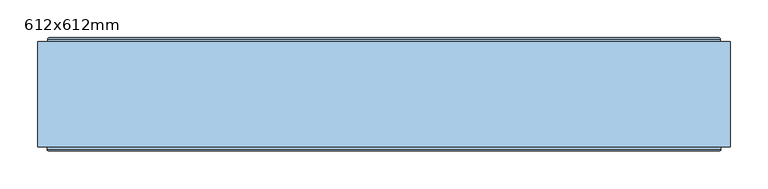
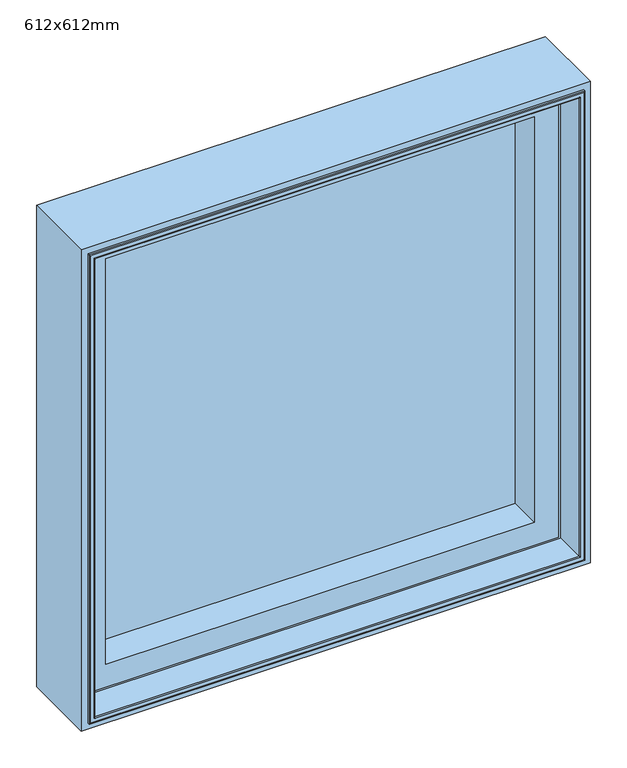
"""IFC4 building model written with IfcOpenShell, lengths in millimetres: window geometry, 612x612mm."""

import ifcopenshell
import ifcopenshell.guid

model = None  # the IFC model being written
_history = None  # IfcOwnerHistory: only IFC2X3 demands one
_inside = {}  # id of a spatial element -> (the spatial element, [elements in it])
_under = {}  # id of a project, library or spatial element -> (it, [spatial elements below it])
_declared = {}  # id of a project -> (the project, [libraries it declares])
_typed = {}  # id of a type object -> (the type object, [elements of that type])
_made_of = {}  # id of a material, layer set ... -> (it, [elements and type objects made of it])


def new_model(schema):
    """Start an empty IFC model of exactly this schema.

    Asked for "IFC4X3", IfcOpenShell would pick the latest addendum, in which some entities
    have other attributes; the version numbers below select the first issue.
    IFC2X3 requires an IfcOwnerHistory on every rooted entity: one is made here for all.
    """
    global model, _history
    if schema == "IFC4X3":
        model = ifcopenshell.file(schema_version=(4, 3, 0, 0))
    else:
        model = ifcopenshell.file(schema=schema)
    _inside.clear()
    _under.clear()
    _declared.clear()
    _typed.clear()
    _made_of.clear()
    _history = None
    if model.schema == "IFC2X3":
        org = make("IfcOrganization", Name="unknown")
        user = make(
            "IfcPersonAndOrganization",
            ThePerson=make("IfcPerson", FamilyName="unknown"),
            TheOrganization=org,
        )
        app = make(
            "IfcApplication",
            ApplicationDeveloper=org,
            Version="unknown",
            ApplicationFullName="unknown",
            ApplicationIdentifier="unknown",
        )
        _history = make(
            "IfcOwnerHistory",
            OwningUser=user,
            OwningApplication=app,
            ChangeAction="ADDED",
            CreationDate=0,
        )
    return model


def make(cls, **values):
    """One entity of the class cls with the attributes given. An attribute that is None is left unset."""
    return model.create_entity(
        cls, **{name: value for name, value in values.items() if value is not None}
    )


def rooted(cls, **values):
    """An entity with a GlobalId (a new one), such as an element, a storey or a relation."""
    return make(cls, GlobalId=ifcopenshell.guid.new(), OwnerHistory=_history, **values)


def si_unit(unit_type, name, prefix=None):
    """IfcSIUnit, for example si_unit("LENGTHUNIT", "METRE", prefix="MILLI")."""
    return make("IfcSIUnit", UnitType=unit_type, Prefix=prefix, Name=name)


def assignment(units):
    """IfcUnitAssignment: the units of a project."""
    return None if units is None else make("IfcUnitAssignment", Units=units)


def point(xyz):
    """IfcCartesianPoint."""
    return None if xyz is None else make("IfcCartesianPoint", Coordinates=xyz)


def direction(xyz):
    """IfcDirection."""
    return None if xyz is None else make("IfcDirection", DirectionRatios=xyz)


def frame(location, z_axis=None, x_axis=None):
    """IfcAxis2Placement3D, a coordinate frame: its origin and axes. An axis left out is left unset."""
    return make(
        "IfcAxis2Placement3D",
        Location=point(location),
        Axis=direction(z_axis),
        RefDirection=direction(x_axis),
    )


def origin():
    """The frame at (0, 0, 0) with its axes left unset."""
    return frame((0.0, 0.0, 0.0))


def place(relative_to, where):
    """IfcLocalPlacement: puts the frame where relative to a parent placement (None: the world)."""
    return make(
        "IfcLocalPlacement", PlacementRelTo=relative_to, RelativePlacement=where
    )


def context(
    kind, dimensions, precision=None, world=None, true_north=None, identifier=None
):
    """IfcGeometricRepresentationContext, for example the 3D "Model" context."""
    return make(
        "IfcGeometricRepresentationContext",
        ContextIdentifier=identifier,
        ContextType=kind,
        CoordinateSpaceDimension=dimensions,
        Precision=precision,
        WorldCoordinateSystem=world,
        TrueNorth=true_north,
    )


def project(units=None, contexts=None):
    """IfcProject with its units and contexts."""
    return rooted(
        "IfcProject",
        Name="project",
        RepresentationContexts=contexts,
        UnitsInContext=assignment(units),
    )


def spatial(cls, under=None, at=None, **own):
    """A site, building, storey or space (cls), placed at a placement, below another one or the project."""
    s = rooted(cls, ObjectPlacement=at, **own)
    if under is not None:
        _under.setdefault(under.id(), (under, []))[1].append(s)
    return s


def polyline(points):
    """IfcPolyline through the points."""
    return make("IfcPolyline", Points=[point(p) for p in points])


def ellipse_curve(where, semi_axis1, semi_axis2):
    """IfcEllipse in the frame where."""
    return make(
        "IfcEllipse", Position=where, SemiAxis1=semi_axis1, SemiAxis2=semi_axis2
    )


def outline(outer, holes=None, kind="AREA"):
    """IfcArbitraryClosedProfileDef: a profile drawn as a closed curve; with holes, ...WithVoids."""
    if holes is None:
        return make("IfcArbitraryClosedProfileDef", ProfileType=kind, OuterCurve=outer)
    return make(
        "IfcArbitraryProfileDefWithVoids",
        ProfileType=kind,
        OuterCurve=outer,
        InnerCurves=holes,
    )


def extrude(swept, where, along, depth):
    """IfcExtrudedAreaSolid: the profile swept, set in the frame where, extruded along a direction by depth."""
    return make(
        "IfcExtrudedAreaSolid",
        SweptArea=swept,
        Position=where,
        ExtrudedDirection=direction(along),
        Depth=depth,
    )


def faces_of(points, faces, orient=None, outer=None):
    """IfcFace entities. A face is a list of loops; a loop is a list of indices into points, from 0.

    orient and outer hold one flag for each loop. By default every Orientation is true, the
    first loop of a face is its IfcFaceOuterBound and the others are IfcFaceBound.
    """
    made = []
    for i, loops in enumerate(faces):
        bounds = []
        for j, loop in enumerate(loops):
            is_outer = j == 0 if outer is None else outer[i][j]
            bounds.append(
                make(
                    "IfcFaceOuterBound" if is_outer else "IfcFaceBound",
                    Bound=make("IfcPolyLoop", Polygon=[points[k] for k in loop]),
                    Orientation=True if orient is None else orient[i][j],
                )
            )
        made.append(make("IfcFace", Bounds=bounds))
    return made


def faceted_brep(points, faces, orient=None, outer=None, voids=None):
    """IfcFacetedBrep: a solid bounded by flat faces; with voids (closed shells), ...WithVoids."""
    shared = [point(p) for p in points]
    hull = make("IfcClosedShell", CfsFaces=faces_of(shared, faces, orient, outer))
    if voids is None:
        return make("IfcFacetedBrep", Outer=hull)
    return make(
        "IfcFacetedBrepWithVoids",
        Outer=hull,
        Voids=[
            make(cls, CfsFaces=faces_of(shared, fs, o, b)) for cls, fs, o, b in voids
        ],
    )


def shape(context_of_items, identifier, shape_type, items):
    """IfcShapeRepresentation: the items that make up one representation, for example the "Body"."""
    return make(
        "IfcShapeRepresentation",
        ContextOfItems=context_of_items,
        RepresentationIdentifier=identifier,
        RepresentationType=shape_type,
        Items=items,
    )


def source(mapping_origin, context_of_items, identifier, shape_type, items):
    """IfcRepresentationMap: a shape defined once, which mapped items show again and again."""
    return make(
        "IfcRepresentationMap",
        MappingOrigin=mapping_origin,
        MappedRepresentation=shape(context_of_items, identifier, shape_type, items),
    )


def transform(
    local_origin,
    x_axis=None,
    y_axis=None,
    z_axis=None,
    scale=None,
    scale2=None,
    scale3=None,
    uniform=True,
):
    """IfcCartesianTransformationOperator3D, or its non-uniform kind. x_axis, y_axis, z_axis: its Axis1, 2, 3."""
    if uniform:
        return make(
            "IfcCartesianTransformationOperator3D",
            Axis1=direction(x_axis),
            Axis2=direction(y_axis),
            LocalOrigin=point(local_origin),
            Scale=scale,
            Axis3=direction(z_axis),
        )
    return make(
        "IfcCartesianTransformationOperator3DnonUniform",
        Axis1=direction(x_axis),
        Axis2=direction(y_axis),
        LocalOrigin=point(local_origin),
        Scale=scale,
        Axis3=direction(z_axis),
        Scale2=scale2,
        Scale3=scale3,
    )


def mapped(mapping_source, mapping_target):
    """IfcMappedItem: shows the shape of a source again, moved by a transform."""
    return make(
        "IfcMappedItem", MappingSource=mapping_source, MappingTarget=mapping_target
    )


def made_of(thing, what):
    """Note that an element or type object is made of a material, layer set ...; save() writes the relation."""
    if what is not None:
        _made_of.setdefault(what.id(), (what, []))[1].append(thing)
    return thing


def element(
    cls,
    number,
    at=None,
    inside=None,
    cuts=None,
    type_object=None,
    material=None,
    context=None,
    identifier="Body",
    shape_type=None,
    held_by="IfcProductDefinitionShape",
    body=None,
    shapes=None,
    **own,
):
    """One element of the class cls, such as IfcWall. Its Tag is "e" and its number.

    at: its placement. inside: the storey or other place that contains it. cuts: it is an
    opening in that element (IfcRelVoidsElement). A single representation is given by context,
    identifier, shape_type and body (its items); several are given by shapes. held_by: the class
    of the entity that holds the representations. save() writes the other relations.
    """
    e = rooted(cls, Tag="e%d" % number, ObjectPlacement=at, **own)
    if body is not None:
        shapes = [shape(context, identifier, shape_type, body)]
    if shapes is not None:
        e.Representation = make(held_by, Representations=shapes)
    if inside is not None:
        _inside.setdefault(inside.id(), (inside, []))[1].append(e)
    if cuts is not None:
        rooted(
            "IfcRelVoidsElement", RelatingBuildingElement=cuts, RelatedOpeningElement=e
        )
    if type_object is not None:
        _typed.setdefault(type_object.id(), (type_object, []))[1].append(e)
    return made_of(e, material)


def aggregate(whole, parts):
    """IfcRelAggregates: a whole, such as a stair, and the parts it consists of."""
    return rooted("IfcRelAggregates", RelatingObject=whole, RelatedObjects=parts)


def save(model, path):
    """Write the relations noted so far, then the file.

    IfcRelAggregates (storeys below a building ...), IfcRelContainedInSpatialStructure (elements
    in a storey), IfcRelDefinesByType, IfcRelAssociatesMaterial and IfcRelDeclares: one each for
    every whole, place, type object, material and project.
    """
    for whole, parts in _under.values():
        aggregate(whole, parts)
    for where, things in _inside.values():
        rooted(
            "IfcRelContainedInSpatialStructure",
            RelatedElements=things,
            RelatingStructure=where,
        )
    for kind, things in _typed.values():
        rooted("IfcRelDefinesByType", RelatedObjects=things, RelatingType=kind)
    for what, things in _made_of.values():
        rooted("IfcRelAssociatesMaterial", RelatedObjects=things, RelatingMaterial=what)
    for by, libraries in _declared.values():
        rooted("IfcRelDeclares", RelatingContext=by, RelatedDefinitions=libraries)
    model.write(path)


def plane_surface(at):
    """IfcPlane: the flat surface through the origin of the frame at, square to its z axis."""
    return make("IfcPlane", Position=at)


def cylinder_surface(at, radius):
    """IfcCylindricalSurface: all points at the distance radius from the z axis of the frame at."""
    return make("IfcCylindricalSurface", Position=at, Radius=radius)


def revolved_surface(curve, axis_point, axis_direction):
    """IfcSurfaceOfRevolution: the curve turned about the line through axis_point along axis_direction."""
    return make(
        "IfcSurfaceOfRevolution",
        SweptCurve=make("IfcArbitraryOpenProfileDef", ProfileType="CURVE", Curve=curve),
        AxisPosition=make("IfcAxis1Placement", Location=point(axis_point), Axis=direction(axis_direction)),
    )


def advanced_brep(points, edges, surfaces, faces):
    """IfcAdvancedBrep: a solid bounded by faces that lie on surfaces and meet in shared edges.

    An edge is (start, end): straight between two places in points (the first is 0);
    or (start, end, curve); or (start, end, curve, False) where it runs against its curve.
    A face is (place in surfaces, loops), or (place, loops, False) where it looks against
    its surface's normal. A loop lists edges by number (the first is 1), with a minus sign
    where the edge is run from its end to its start. The first loop is the outer one.
    """
    corners = [point(p) for p in points]
    vertices = [make("IfcVertexPoint", VertexGeometry=c) for c in corners]
    made = []
    for start, end, *more in edges:
        made.append(
            make(
                "IfcEdgeCurve",
                EdgeStart=vertices[start],
                EdgeEnd=vertices[end],
                EdgeGeometry=more[0] if more else make("IfcPolyline", Points=[corners[start], corners[end]]),
                SameSense=more[1] if len(more) > 1 else True,
            )
        )
    hull = []
    for where, loops, *sense in faces:
        bounds = []
        for j, loop in enumerate(loops):
            ring = [make("IfcOrientedEdge", EdgeElement=made[abs(k) - 1], Orientation=k > 0) for k in loop]
            bounds.append(
                make(
                    "IfcFaceOuterBound" if j == 0 else "IfcFaceBound",
                    Bound=make("IfcEdgeLoop", EdgeList=ring),
                    Orientation=True,
                )
            )
        hull.append(make("IfcAdvancedFace", Bounds=bounds, FaceSurface=surfaces[where], SameSense=sense[0] if sense else True))
    return make("IfcAdvancedBrep", Outer=make("IfcClosedShell", CfsFaces=hull))


def window_612x612mm_6b5cd308(model_context):
    return source(origin(), model_context, "Body", "SolidModel", [
        extrude(outline(polyline([(800.0, -456.0), (800.0, 456.0), (1712.0, 456.0), (1712.0, -456.0), (800.0, -456.0)]), holes=[polyline([(1700.0, -444.0), (1700.0, 444.0), (812.0, 444.0), (812.0, -444.0), (1700.0, -444.0)])]), frame((0.0, 10.0000016, 0.0), z_axis=(0.0, 1.0, 0.0), x_axis=(0.0, 0.0, 1.0)), (0.0, 0.0, 1.0), 139.0),
        extrude(outline(polyline([(402.0, 118.5000018), (-402.0, 118.5000018), (-402.0, 146.5000018), (402.0, 146.5000018), (402.0, 118.5000018)])), frame((0.0, 0.0, 854.0), z_axis=(0.0, 0.0, 1.0), x_axis=(1.0, 0.0, 0.0)), (0.0, 0.0, 1.0), 804.0),
        advanced_brep(
        [(-434.0, 6.5000014, 1690.0), (-435.5, 5.0000014, 1691.5), (-435.5, 5.0000014, 820.5), (-434.0, 6.5000014, 822.0), (-434.0, 142.5000016, 1690.0), (-434.0, 142.5000016, 822.0), (-444.0, 6.5000014, 1700.0), (-444.0, 142.5000016, 1700.0), (-444.0, 142.5000016, 812.0), (-444.0, 6.5000014, 812.0), (-442.5, 5.0000014, 1698.5), (-442.5, 5.0000014, 813.5), (435.5, 5.0000014, 820.5), (434.0, 6.5000014, 822.0), (434.0, 142.5000016, 822.0), (444.0, 142.5000016, 812.0), (444.0, 6.5000014, 812.0), (442.5, 5.0000014, 813.5), (435.5, 5.0000014, 1691.5), (434.0, 6.5000014, 1690.0), (434.0, 142.5000016, 1690.0), (444.0, 142.5000016, 1700.0), (444.0, 6.5000014, 1700.0), (442.5, 5.0000014, 1698.5)],
        [
            (0, 1, ellipse_curve(frame((-435.5, 6.5000014, 1691.5), z_axis=(-0.7071067811865475, 0.0, -0.7071067811865475), x_axis=(-0.7071067811865474, 0.0, 0.7071067811865476)), 2.1213203, 1.5)),
            (1, 2),
            (2, 3, ellipse_curve(frame((-435.5, 6.5000014, 820.5), z_axis=(-0.7071067811865475, 0.0, 0.7071067811865475), x_axis=(0.7071067811865474, 0.0, 0.7071067811865476)), 2.1213203, 1.5)),
            (3, 0),
            (4, 0),
            (3, 5),
            (5, 4),
            (6, 7),
            (7, 8),
            (8, 9),
            (9, 6),
            (10, 6, ellipse_curve(frame((-442.5, 6.5000014, 1698.5), z_axis=(-0.7071067811865475, 0.0, -0.7071067811865475), x_axis=(-0.7071067811865474, 0.0, 0.7071067811865476)), 2.1213203, 1.5)),
            (9, 11, ellipse_curve(frame((-442.5, 6.5000014, 813.5), z_axis=(-0.7071067811865475, 0.0, 0.7071067811865475), x_axis=(0.7071067811865474, 0.0, 0.7071067811865476)), 2.1213203, 1.5)),
            (11, 10),
            (2, 12),
            (12, 13, ellipse_curve(frame((435.5, 6.5000014, 820.5), z_axis=(-0.7071067811865475, 0.0, -0.7071067811865475), x_axis=(-0.7071067811865476, 0.0, 0.7071067811865474)), 2.1213203, 1.5)),
            (13, 3),
            (13, 14),
            (14, 5),
            (8, 15),
            (15, 16),
            (16, 9),
            (16, 17, ellipse_curve(frame((442.5, 6.5000014, 813.5), z_axis=(-0.7071067811865475, 0.0, -0.7071067811865475), x_axis=(-0.7071067811865476, 0.0, 0.7071067811865474)), 2.1213203, 1.5)),
            (17, 11),
            (12, 18),
            (18, 19, ellipse_curve(frame((435.5, 6.5000014, 1691.5), z_axis=(0.7071067811865475, 0.0, -0.7071067811865475), x_axis=(-0.7071067811865474, 0.0, -0.7071067811865476)), 2.1213203, 1.5)),
            (19, 13),
            (19, 20),
            (20, 14),
            (15, 21),
            (21, 22),
            (22, 16),
            (22, 23, ellipse_curve(frame((442.5, 6.5000014, 1698.5), z_axis=(0.7071067811865475, 0.0, -0.7071067811865475), x_axis=(-0.7071067811865474, 0.0, -0.7071067811865476)), 2.1213203, 1.5)),
            (23, 17),
            (18, 1),
            (0, 19),
            (4, 20),
            (7, 21),
            (6, 22),
            (10, 23),
        ],
        [
            cylinder_surface(frame((-435.5, 6.5000014, 1700.0), z_axis=(0.0, 0.0, 1.0), x_axis=(1.0, 0.0, 0.0)), 1.5),
            plane_surface(frame((-434.0, 6.5000014, 1690.0), z_axis=(1.0, 0.0, 0.0), x_axis=(0.0, 0.0, -1.0))),
            plane_surface(frame((-444.0, 142.5000016, 1700.0), z_axis=(-1.0, 0.0, 0.0), x_axis=(0.0, 0.0, -1.0))),
            cylinder_surface(frame((-442.5, 6.5000014, 1700.0), z_axis=(0.0, 0.0, 1.0), x_axis=(1.0, 0.0, 0.0)), 1.5),
            cylinder_surface(frame((-444.0, 6.5000014, 820.5), z_axis=(-1.0, 0.0, 0.0), x_axis=(0.0, 0.0, 1.0)), 1.5),
            plane_surface(frame((-434.0, 6.5000014, 822.0), z_axis=(0.0, 0.0, 1.0), x_axis=(1.0, 0.0, 0.0))),
            plane_surface(frame((-444.0, 142.5000016, 812.0), z_axis=(0.0, 0.0, -1.0), x_axis=(1.0, 0.0, 0.0))),
            cylinder_surface(frame((-444.0, 6.5000014, 813.5), z_axis=(-1.0, 0.0, 0.0), x_axis=(0.0, 0.0, 1.0)), 1.5),
            cylinder_surface(frame((435.5, 6.5000014, 812.0), z_axis=(0.0, 0.0, -1.0), x_axis=(-1.0, 0.0, 0.0)), 1.5),
            plane_surface(frame((434.0, 6.5000014, 822.0), z_axis=(-1.0, 0.0, 0.0), x_axis=(0.0, 0.0, 1.0))),
            plane_surface(frame((444.0, 142.5000016, 812.0), z_axis=(1.0, 0.0, 0.0), x_axis=(0.0, 0.0, 1.0))),
            cylinder_surface(frame((442.5, 6.5000014, 812.0), z_axis=(0.0, 0.0, -1.0), x_axis=(-1.0, 0.0, 0.0)), 1.5),
            cylinder_surface(frame((444.0, 6.5000014, 1691.5), z_axis=(1.0, 0.0, 0.0), x_axis=(0.0, 0.0, -1.0)), 1.5),
            plane_surface(frame((434.0, 6.5000014, 1690.0), z_axis=(0.0, 0.0, -1.0), x_axis=(-1.0, 0.0, 0.0))),
            plane_surface(frame((434.0, 142.5000016, 1690.0), z_axis=(0.0, 1.0, 0.0), x_axis=(-1.0, 0.0, 0.0))),
            plane_surface(frame((444.0, 142.5000016, 1700.0), z_axis=(0.0, 0.0, 1.0), x_axis=(-1.0, 0.0, 0.0))),
            cylinder_surface(frame((444.0, 6.5000014, 1698.5), z_axis=(1.0, 0.0, 0.0), x_axis=(0.0, 0.0, -1.0)), 1.5),
            plane_surface(frame((442.5, 5.0000014, 1698.5), z_axis=(0.0, -1.0, 0.0), x_axis=(-1.0, 0.0, 0.0))),
        ],
        [
            (0, [[1, 2, 3, 4]]),
            (1, [[5, -4, 6, 7]]),
            (2, [[8, 9, 10, 11]]),
            (3, [[12, -11, 13, 14]]),
            (4, [[-3, 15, 16, 17]]),
            (5, [[-6, -17, 18, 19]]),
            (6, [[-10, 20, 21, 22]]),
            (7, [[-13, -22, 23, 24]]),
            (8, [[-16, 25, 26, 27]]),
            (9, [[-18, -27, 28, 29]]),
            (10, [[-21, 30, 31, 32]]),
            (11, [[-23, -32, 33, 34]]),
            (12, [[-26, 35, -1, 36]]),
            (13, [[-28, -36, -5, 37]]),
            (14, [[38, -30, -20, -9], [-19, -29, -37, -7]]),
            (15, [[-31, -38, -8, 39]]),
            (16, [[-33, -39, -12, 40]]),
            (17, [[-24, -34, -40, -14], [-35, -25, -15, -2]]),
        ],
    ),
        faceted_brep([(-406.0, 142.5000017, 1662.0), (-406.0, 118.5000018, 1662.0), (-406.0, 118.5000018, 850.0), (-406.0, 142.5000017, 850.0), (-434.0, 63.3258286, 1690.0), (-434.0, 142.5000017, 1690.0), (-434.0, 142.5000017, 822.0), (-434.0, 63.3258286, 822.0), (-427.2, 59.5000018, 1683.2), (-427.2, 63.3258286, 1683.2), (-427.2, 63.3258286, 828.8), (-427.2, 59.5000018, 828.8), (-384.0, 118.5000018, 1640.0), (-384.0, 59.5000018, 1640.0), (-384.0, 59.5000018, 872.0), (-384.0, 118.5000018, 872.0), (406.0, 118.5000018, 850.0), (406.0, 142.5000017, 850.0), (434.0, 142.5000017, 822.0), (434.0, 63.3258286, 822.0), (427.2, 63.3258286, 828.8), (427.2, 59.5000018, 828.8), (384.0, 59.5000018, 872.0), (384.0, 118.5000018, 872.0), (406.0, 118.5000018, 1662.0), (406.0, 142.5000017, 1662.0), (434.0, 142.5000017, 1690.0), (434.0, 63.3258286, 1690.0), (427.2, 63.3258286, 1683.2), (427.2, 59.5000018, 1683.2), (384.0, 59.5000018, 1640.0), (384.0, 118.5000018, 1640.0)], [[[0, 1, 2, 3]], [[4, 5, 6, 7]], [[8, 9, 10, 11]], [[12, 13, 14, 15]], [[3, 2, 16, 17]], [[7, 6, 18, 19]], [[11, 10, 20, 21]], [[15, 14, 22, 23]], [[17, 16, 24, 25]], [[19, 18, 26, 27]], [[21, 20, 28, 29]], [[23, 22, 30, 31]], [[25, 24, 1, 0]], [[5, 26, 18, 6], [3, 17, 25, 0]], [[27, 26, 5, 4]], [[7, 19, 27, 4], [9, 28, 20, 10]], [[29, 28, 9, 8]], [[11, 21, 29, 8], [13, 30, 22, 14]], [[31, 30, 13, 12]], [[1, 24, 16, 2], [15, 23, 31, 12]]]),
        advanced_brep(
        [(-443.0, 152.5000018, 1699.0), (-441.5000001, 154.0000016, 1697.5000001), (-441.5000001, 154.0000016, 814.4999999), (-443.0, 152.5000018, 813.0), (-443.0, 148.3866107, 1699.0), (-443.0, 148.3866107, 813.0), (-444.0, 142.5000017, 1700.0), (-444.0, 148.3866107, 1700.0), (-444.0, 148.3866107, 812.0), (-444.0, 142.5000017, 812.0), (-406.0, 146.5000019, 1662.0), (-406.0, 142.5000017, 1662.0), (-406.0, 142.5000017, 850.0), (-406.0, 146.5000019, 850.0), (-387.5192538, 147.4871074, 1643.5192538), (-387.4938789, 146.5000019, 1643.4938789), (-387.4938789, 146.5000019, 868.5061211), (-387.5192538, 147.4871074, 868.4807462), (-389.5962483, 148.7951832, 1645.5962483), (-389.5962483, 148.7951832, 866.4037517), (-390.0, 149.7544748, 1646.0), (-390.0, 149.7544748, 866.0), (-390.0, 153.0000016, 1646.0), (-390.0, 153.0000016, 866.0), (-390.5, 153.5000016, 1646.5), (-390.5, 153.5000016, 865.5), (-406.514074, 154.0000016, 1662.514074), (-405.8, 153.5000016, 1661.8), (-405.8, 153.5000016, 850.2), (-406.514074, 154.0000016, 849.485926), (441.5000001, 154.0000016, 814.4999999), (443.0, 152.5000018, 813.0), (443.0, 148.3866107, 813.0), (444.0, 148.3866107, 812.0), (444.0, 142.5000017, 812.0), (406.0, 142.5000017, 850.0), (406.0, 146.5000019, 850.0), (387.4938789, 146.5000019, 868.5061211), (387.5192538, 147.4871074, 868.4807462), (389.5962483, 148.7951832, 866.4037517), (390.0, 149.7544748, 866.0), (390.0, 153.0000016, 866.0), (390.5, 153.5000016, 865.5), (405.8, 153.5000016, 850.2), (406.514074, 154.0000016, 849.485926), (441.5000001, 154.0000016, 1697.5000001), (443.0, 152.5000018, 1699.0), (443.0, 148.3866107, 1699.0), (444.0, 148.3866107, 1700.0), (444.0, 142.5000017, 1700.0), (406.0, 142.5000017, 1662.0), (406.0, 146.5000019, 1662.0), (387.4938789, 146.5000019, 1643.4938789), (387.5192538, 147.4871074, 1643.5192538), (389.5962483, 148.7951832, 1645.5962483), (390.0, 149.7544748, 1646.0), (390.0, 153.0000016, 1646.0), (390.5, 153.5000016, 1646.5), (405.8, 153.5000016, 1661.8), (406.514074, 154.0000016, 1662.514074)],
        [
            (0, 1, ellipse_curve(frame((-441.5000001, 152.5000018, 1697.5000001), z_axis=(-0.7071067811865475, 0.0, -0.7071067811865475), x_axis=(-0.7071067811865474, 0.0, 0.7071067811865476)), 2.1213201, 1.4999998)),
            (1, 2),
            (2, 3, ellipse_curve(frame((-441.5000001, 152.5000018, 814.4999999), z_axis=(-0.7071067811865475, 0.0, 0.7071067811865475), x_axis=(0.7071067811865474, 0.0, 0.7071067811865476)), 2.1213201, 1.4999998)),
            (3, 0),
            (4, 0),
            (3, 5),
            (5, 4),
            (6, 7),
            (7, 8),
            (8, 9),
            (9, 6),
            (10, 11),
            (11, 12),
            (12, 13),
            (13, 10),
            (14, 15, ellipse_curve(frame((-387.4938789, 146.9938808, 1643.4938789), z_axis=(-0.7071067811865475, 0.0, -0.7071067811865475), x_axis=(-0.7071067811865474, 0.0, 0.7071067811865476)), 0.6984503, 0.4938789)),
            (15, 16),
            (16, 17, ellipse_curve(frame((-387.4938789, 146.9938808, 868.5061211), z_axis=(-0.7071067811865475, 0.0, 0.7071067811865475), x_axis=(0.7071067811865474, 0.0, 0.7071067811865476)), 0.6984503, 0.4938789)),
            (17, 14),
            (18, 14, ellipse_curve(frame((-387.6227187, 149.6258125, 1643.6227187), z_axis=(0.7071067811865475, 0.0, 0.7071067811865475), x_axis=(0.7071067811865474, 0.0, -0.7071067811865476)), 3.028123, 2.1412063)),
            (17, 19, ellipse_curve(frame((-387.6227187, 149.6258125, 868.3772813), z_axis=(0.7071067811865475, 0.0, -0.7071067811865475), x_axis=(-0.7071067811865474, 0.0, -0.7071067811865476)), 3.028123, 2.1412063)),
            (19, 18),
            (20, 18),
            (19, 21),
            (21, 20),
            (22, 20),
            (21, 23),
            (23, 22),
            (24, 22, ellipse_curve(frame((-390.5, 153.0000016, 1646.5), z_axis=(-0.7071067811865475, 0.0, -0.7071067811865475), x_axis=(-0.7071067811865474, 0.0, 0.7071067811865476)), 0.7071068, 0.5)),
            (23, 25, ellipse_curve(frame((-390.5, 153.0000016, 865.5), z_axis=(-0.7071067811865475, 0.0, 0.7071067811865475), x_axis=(0.7071067811865474, 0.0, 0.7071067811865476)), 0.7071068, 0.5)),
            (25, 24),
            (26, 27),
            (27, 28),
            (28, 29),
            (29, 26),
            (2, 30),
            (30, 31, ellipse_curve(frame((441.5000001, 152.5000018, 814.4999999), z_axis=(-0.7071067811865475, 0.0, -0.7071067811865475), x_axis=(-0.7071067811865476, 0.0, 0.7071067811865474)), 2.1213201, 1.4999998)),
            (31, 3),
            (31, 32),
            (32, 5),
            (8, 33),
            (33, 34),
            (34, 9),
            (12, 35),
            (35, 36),
            (36, 13),
            (16, 37),
            (37, 38, ellipse_curve(frame((387.4938789, 146.9938808, 868.5061211), z_axis=(-0.7071067811865475, 0.0, -0.7071067811865475), x_axis=(-0.7071067811865476, 0.0, 0.7071067811865474)), 0.6984503, 0.4938789)),
            (38, 17),
            (38, 39, ellipse_curve(frame((387.6227187, 149.6258125, 868.3772813), z_axis=(0.7071067811865475, 0.0, 0.7071067811865475), x_axis=(0.7071067811865476, 0.0, -0.7071067811865474)), 3.028123, 2.1412063)),
            (39, 19),
            (39, 40),
            (40, 21),
            (40, 41),
            (41, 23),
            (41, 42, ellipse_curve(frame((390.5, 153.0000016, 865.5), z_axis=(-0.7071067811865475, 0.0, -0.7071067811865475), x_axis=(-0.7071067811865476, 0.0, 0.7071067811865474)), 0.7071068, 0.5)),
            (42, 25),
            (28, 43),
            (43, 44),
            (44, 29),
            (30, 45),
            (45, 46, ellipse_curve(frame((441.5000001, 152.5000018, 1697.5000001), z_axis=(0.7071067811865475, 0.0, -0.7071067811865475), x_axis=(-0.7071067811865474, 0.0, -0.7071067811865476)), 2.1213201, 1.4999998)),
            (46, 31),
            (46, 47),
            (47, 32),
            (33, 48),
            (48, 49),
            (49, 34),
            (35, 50),
            (50, 51),
            (51, 36),
            (37, 52),
            (52, 53, ellipse_curve(frame((387.4938789, 146.9938808, 1643.4938789), z_axis=(0.7071067811865475, 0.0, -0.7071067811865475), x_axis=(-0.7071067811865474, 0.0, -0.7071067811865476)), 0.6984503, 0.4938789)),
            (53, 38),
            (53, 54, ellipse_curve(frame((387.6227187, 149.6258125, 1643.6227187), z_axis=(-0.7071067811865475, 0.0, 0.7071067811865475), x_axis=(0.7071067811865474, 0.0, 0.7071067811865476)), 3.028123, 2.1412063)),
            (54, 39),
            (54, 55),
            (55, 40),
            (55, 56),
            (56, 41),
            (56, 57, ellipse_curve(frame((390.5, 153.0000016, 1646.5), z_axis=(0.7071067811865475, 0.0, -0.7071067811865475), x_axis=(-0.7071067811865474, 0.0, -0.7071067811865476)), 0.7071068, 0.5)),
            (57, 42),
            (43, 58),
            (58, 59),
            (59, 44),
            (1, 45),
            (59, 26),
            (0, 46),
            (4, 47),
            (7, 48),
            (6, 49),
            (11, 50),
            (10, 51),
            (15, 52),
            (14, 53),
            (18, 54),
            (20, 55),
            (22, 56),
            (24, 57),
            (27, 58),
        ],
        [
            cylinder_surface(frame((-441.5000001, 152.5000018, 1700.0), z_axis=(0.0, 0.0, 1.0), x_axis=(1.0, 0.0, 0.0)), 1.4999998),
            plane_surface(frame((-443.0, 152.5000018, 1699.0), z_axis=(-1.0, 0.0, 0.0), x_axis=(0.0, 0.0, -1.0))),
            plane_surface(frame((-444.0, 148.3866107, 1700.0), z_axis=(-1.0, 0.0, 0.0), x_axis=(0.0, 0.0, -1.0))),
            plane_surface(frame((-406.0, 142.5000017, 1662.0), z_axis=(1.0, 0.0, 0.0), x_axis=(0.0, 0.0, -1.0))),
            cylinder_surface(frame((-387.4938789, 146.9938808, 1700.0), z_axis=(0.0, 0.0, 1.0), x_axis=(1.0, 0.0, 0.0)), 0.4938789),
            revolved_surface(polyline([(-385.4815124, 149.6258125, 866.2360749924331), (-385.4815124, 149.6258125, 1645.763925007567)]), (-387.6227187, 149.6258125, 1700.0), (0.0, 0.0, -1.0)),
            plane_surface(frame((-389.5962483, 148.7951832, 1645.5962483), z_axis=(0.9216905703602115, 0.38792588533000466, 0.0), x_axis=(0.0, 0.0, -1.0))),
            plane_surface(frame((-390.0, 149.7544748, 1646.0), z_axis=(1.0, 0.0, 0.0), x_axis=(0.0, 0.0, -1.0))),
            cylinder_surface(frame((-390.5, 153.0000016, 1700.0), z_axis=(0.0, 0.0, 1.0), x_axis=(1.0, 0.0, 0.0)), 0.5),
            plane_surface(frame((-405.8, 153.5000016, 1661.8), z_axis=(0.5735764363510223, 0.8191520442890085, 0.0), x_axis=(0.0, 0.0, -1.0))),
            cylinder_surface(frame((-444.0, 152.5000018, 814.4999999), z_axis=(-1.0, 0.0, 0.0), x_axis=(0.0, 0.0, 1.0)), 1.4999998),
            plane_surface(frame((-443.0, 152.5000018, 813.0), z_axis=(0.0, 0.0, -1.0), x_axis=(1.0, 0.0, 0.0))),
            plane_surface(frame((-444.0, 148.3866107, 812.0), z_axis=(0.0, 0.0, -1.0), x_axis=(1.0, 0.0, 0.0))),
            plane_surface(frame((-406.0, 142.5000017, 850.0), z_axis=(0.0, 0.0, 1.0), x_axis=(1.0, 0.0, 0.0))),
            cylinder_surface(frame((-444.0, 146.9938808, 868.5061211), z_axis=(-1.0, 0.0, 0.0), x_axis=(0.0, 0.0, 1.0)), 0.4938789),
            revolved_surface(polyline([(389.76392500756685, 149.6258125, 870.5184876000001), (-389.76392500756697, 149.6258125, 870.5184876000001)]), (-444.0, 149.6258125, 868.3772813), (1.0, 0.0, 0.0)),
            plane_surface(frame((-389.5962483, 148.7951832, 866.4037517), z_axis=(0.0, 0.3879258853300076, 0.9216905703602103), x_axis=(1.0, 0.0, 0.0))),
            plane_surface(frame((-390.0, 149.7544748, 866.0), z_axis=(0.0, 0.0, 1.0), x_axis=(1.0, 0.0, 0.0))),
            cylinder_surface(frame((-444.0, 153.0000016, 865.5), z_axis=(-1.0, 0.0, 0.0), x_axis=(0.0, 0.0, 1.0)), 0.5),
            plane_surface(frame((-405.8, 153.5000016, 850.2), z_axis=(0.0, 0.8191520442890103, 0.5735764363510196), x_axis=(1.0, 0.0, 0.0))),
            cylinder_surface(frame((441.5000001, 152.5000018, 812.0), z_axis=(0.0, 0.0, -1.0), x_axis=(-1.0, 0.0, 0.0)), 1.4999998),
            plane_surface(frame((443.0, 152.5000018, 813.0), z_axis=(1.0, 0.0, 0.0), x_axis=(0.0, 0.0, 1.0))),
            plane_surface(frame((444.0, 148.3866107, 812.0), z_axis=(1.0, 0.0, 0.0), x_axis=(0.0, 0.0, 1.0))),
            plane_surface(frame((406.0, 142.5000017, 850.0), z_axis=(-1.0, 0.0, 0.0), x_axis=(0.0, 0.0, 1.0))),
            cylinder_surface(frame((387.4938789, 146.9938808, 812.0), z_axis=(0.0, 0.0, -1.0), x_axis=(-1.0, 0.0, 0.0)), 0.4938789),
            revolved_surface(polyline([(385.4815124, 149.6258125, 1645.7639250075667), (385.4815124, 149.6258125, 866.2360749924331)]), (387.6227187, 149.6258125, 812.0), (0.0, 0.0, 1.0)),
            plane_surface(frame((389.5962483, 148.7951832, 866.4037517), z_axis=(-0.9216905703602091, 0.38792588533001054, 0.0), x_axis=(0.0, 0.0, 1.0))),
            plane_surface(frame((390.0, 149.7544748, 866.0), z_axis=(-1.0, 0.0, 0.0), x_axis=(0.0, 0.0, 1.0))),
            cylinder_surface(frame((390.5, 153.0000016, 812.0), z_axis=(0.0, 0.0, -1.0), x_axis=(-1.0, 0.0, 0.0)), 0.5),
            plane_surface(frame((405.8, 153.5000016, 850.2), z_axis=(-0.573576436351017, 0.8191520442890122, 0.0), x_axis=(0.0, 0.0, 1.0))),
            plane_surface(frame((406.514074, 154.0000016, 1662.514074), z_axis=(0.0, 1.0, 0.0), x_axis=(-1.0, 0.0, 0.0))),
            cylinder_surface(frame((444.0, 152.5000018, 1697.5000001), z_axis=(1.0, 0.0, 0.0), x_axis=(0.0, 0.0, -1.0)), 1.4999998),
            plane_surface(frame((443.0, 152.5000018, 1699.0), z_axis=(0.0, 0.0, 1.0), x_axis=(-1.0, 0.0, 0.0))),
            plane_surface(frame((443.0, 148.3866107, 1699.0), z_axis=(0.0, 1.0, 0.0), x_axis=(-1.0, 0.0, 0.0))),
            plane_surface(frame((444.0, 148.3866107, 1700.0), z_axis=(0.0, 0.0, 1.0), x_axis=(-1.0, 0.0, 0.0))),
            plane_surface(frame((444.0, 142.5000017, 1700.0), z_axis=(0.0, -1.0, 0.0), x_axis=(-1.0, 0.0, 0.0))),
            plane_surface(frame((406.0, 142.5000017, 1662.0), z_axis=(0.0, 0.0, -1.0), x_axis=(-1.0, 0.0, 0.0))),
            plane_surface(frame((406.0, 146.5000019, 1662.0), z_axis=(0.0, -1.0, 0.0), x_axis=(-1.0, 0.0, 0.0))),
            cylinder_surface(frame((444.0, 146.9938808, 1643.4938789), z_axis=(1.0, 0.0, 0.0), x_axis=(0.0, 0.0, -1.0)), 0.4938789),
            revolved_surface(polyline([(-389.76392500756685, 149.6258125, 1641.4815124), (389.76392500756697, 149.6258125, 1641.4815124)]), (444.0, 149.6258125, 1643.6227187), (-1.0, 0.0, 0.0)),
            plane_surface(frame((389.5962483, 148.7951832, 1645.5962483), z_axis=(0.0, 0.3879258853300076, -0.9216905703602103), x_axis=(-1.0, 0.0, 0.0))),
            plane_surface(frame((390.0, 149.7544748, 1646.0), z_axis=(0.0, 0.0, -1.0), x_axis=(-1.0, 0.0, 0.0))),
            cylinder_surface(frame((444.0, 153.0000016, 1646.5), z_axis=(1.0, 0.0, 0.0), x_axis=(0.0, 0.0, -1.0)), 0.5),
            plane_surface(frame((390.5, 153.5000016, 1646.5), z_axis=(0.0, 1.0, 0.0), x_axis=(-1.0, 0.0, 0.0))),
            plane_surface(frame((405.8, 153.5000016, 1661.8), z_axis=(0.0, 0.8191520442890103, -0.5735764363510196), x_axis=(-1.0, 0.0, 0.0))),
        ],
        [
            (0, [[1, 2, 3, 4]]),
            (1, [[5, -4, 6, 7]]),
            (2, [[8, 9, 10, 11]]),
            (3, [[12, 13, 14, 15]]),
            (4, [[16, 17, 18, 19]]),
            (5, [[20, -19, 21, 22]]),
            (6, [[23, -22, 24, 25]]),
            (7, [[26, -25, 27, 28]]),
            (8, [[29, -28, 30, 31]]),
            (9, [[32, 33, 34, 35]]),
            (10, [[-3, 36, 37, 38]]),
            (11, [[-6, -38, 39, 40]]),
            (12, [[-10, 41, 42, 43]]),
            (13, [[-14, 44, 45, 46]]),
            (14, [[-18, 47, 48, 49]]),
            (15, [[-21, -49, 50, 51]]),
            (16, [[-24, -51, 52, 53]]),
            (17, [[-27, -53, 54, 55]]),
            (18, [[-30, -55, 56, 57]]),
            (19, [[-34, 58, 59, 60]]),
            (20, [[-37, 61, 62, 63]]),
            (21, [[-39, -63, 64, 65]]),
            (22, [[-42, 66, 67, 68]]),
            (23, [[-45, 69, 70, 71]]),
            (24, [[-48, 72, 73, 74]]),
            (25, [[-50, -74, 75, 76]]),
            (26, [[-52, -76, 77, 78]]),
            (27, [[-54, -78, 79, 80]]),
            (28, [[-56, -80, 81, 82]]),
            (29, [[-59, 83, 84, 85]]),
            (30, [[86, -61, -36, -2], [-60, -85, 87, -35]]),
            (31, [[-62, -86, -1, 88]]),
            (32, [[-64, -88, -5, 89]]),
            (33, [[90, -66, -41, -9], [-40, -65, -89, -7]]),
            (34, [[-67, -90, -8, 91]]),
            (35, [[-43, -68, -91, -11], [92, -69, -44, -13]]),
            (36, [[-70, -92, -12, 93]]),
            (37, [[-46, -71, -93, -15], [94, -72, -47, -17]]),
            (38, [[-73, -94, -16, 95]]),
            (39, [[-75, -95, -20, 96]]),
            (40, [[-77, -96, -23, 97]]),
            (41, [[-79, -97, -26, 98]]),
            (42, [[-81, -98, -29, 99]]),
            (43, [[100, -83, -58, -33], [-57, -82, -99, -31]]),
            (44, [[-84, -100, -32, -87]]),
        ],
    ),
    ])


if __name__ == "__main__":
    model = new_model("IFC4")
    model_context = context("Model", 3, world=origin())
    ifc_project = project(units=[si_unit("LENGTHUNIT", "METRE", prefix="MILLI")], contexts=[model_context])
    site = spatial("IfcSite", under=ifc_project)
    building = spatial("IfcBuilding", under=site)
    placement = place(None, origin())
    window_612x612mm_shape = window_612x612mm_6b5cd308(model_context)
    element("IfcWindow", 1, ObjectType="612x612mm", at=placement, inside=building, context=model_context, shape_type="MappedRepresentation", body=[
        mapped(window_612x612mm_shape, transform((0.0, 0.0, 0.0), x_axis=(1.0, 0.0, 0.0), y_axis=(0.0, 1.0, 0.0), z_axis=(0.0, 0.0, 1.0))),
    ])
    save(model, "model.ifc")
